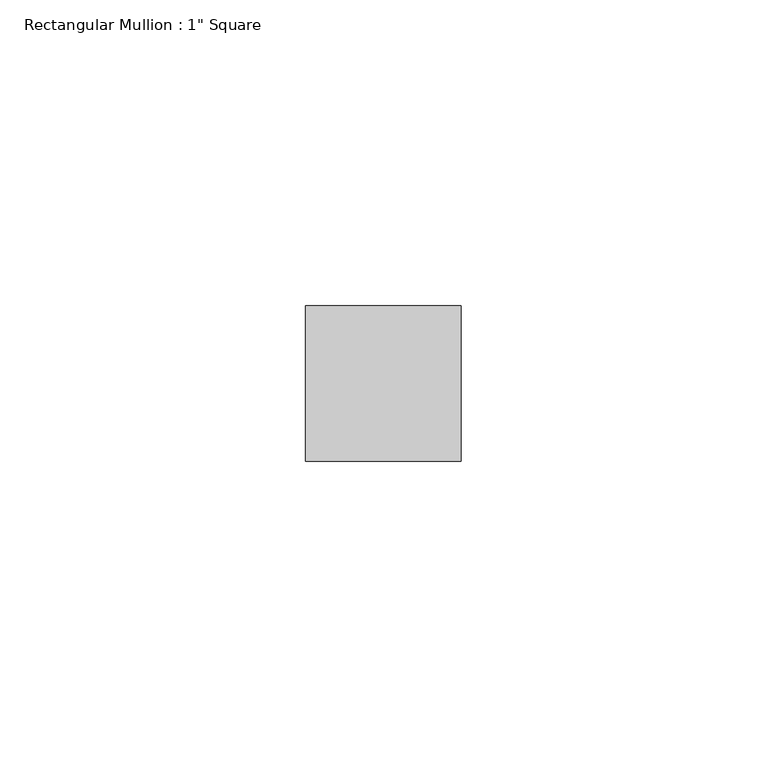
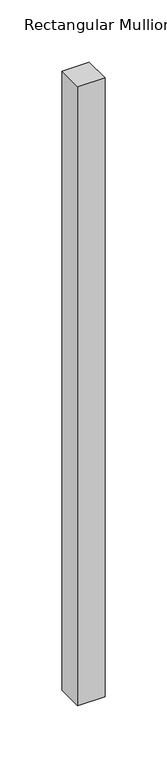
"""IFC4 building model written with IfcOpenShell, lengths in millimetres: member geometry."""

from ifc_helpers import new_model, si_unit, frame, origin, place, context, project, spatial, polyline, outline, extrude, source, transform, mapped, element, save


def member_68981e21(model_context):
    return source(origin(), model_context, "Body", "SweptSolid", [
        extrude(outline(polyline([(0.0, 12.7), (0.0, -12.7), (-25.4, -12.7), (-25.4, 12.7), (0.0, 12.7)])), frame((0.0, 0.0, -609.6), z_axis=(0.0, 0.0, 1.0), x_axis=(1.0, 0.0, 0.0)), (0.0, 0.0, 1.0), 609.6),
    ])


if __name__ == "__main__":
    model = new_model("IFC4")
    model_context = context("Model", 3, world=origin())
    ifc_project = project(units=[si_unit("LENGTHUNIT", "METRE", prefix="MILLI")], contexts=[model_context])
    site = spatial("IfcSite", under=ifc_project)
    building = spatial("IfcBuilding", under=site)
    placement = place(None, origin())
    member_shape = member_68981e21(model_context)
    element("IfcMember", 1, ObjectType="Rectangular Mullion : 1\" Square", at=placement, inside=building, context=model_context, shape_type="MappedRepresentation", body=[
        mapped(member_shape, transform((0.0, 0.0, 0.0), x_axis=(1.0, 0.0, 0.0), y_axis=(0.0, 1.0, 0.0), z_axis=(0.0, 0.0, 1.0))),
    ])
    save(model, "model.ifc")
